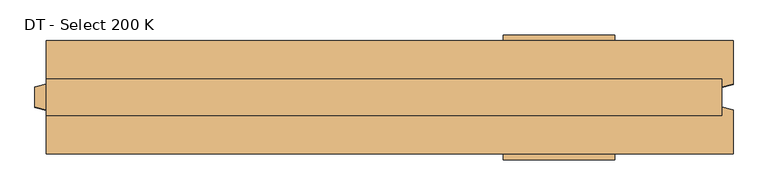
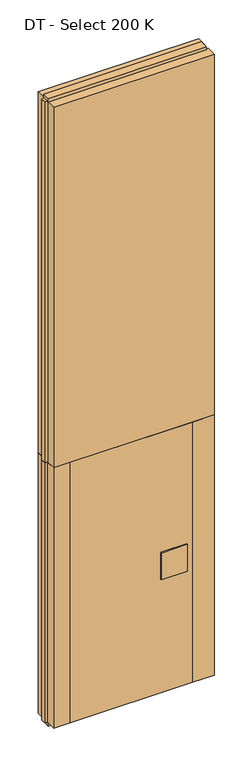
"""IFC4 building model written with IfcOpenShell, lengths in millimetres: door geometry, DT - Select 200 K."""

from ifc_helpers import new_model, si_unit, frame, origin, origin_with_axes, place, context, project, spatial, polyline, outline, extrude, source, transform, mapped, element, save


def dt_select_200_k_bcd1da48(model_context):
    return source(origin(), model_context, "Body", "SweptSolid", [
        extrude(outline(polyline([(-460.0, -100.0), (-460.0, 100.0), (460.0, 100.0), (460.0, -100.0), (-460.0, -100.0)])), frame((0.0, 0.0, 25.0), z_axis=(0.0, 0.0, 1.0), x_axis=(1.0, 0.0, 0.0)), (0.0, 0.0, 1.0), 2075.0),
        extrude(outline(polyline([(219.7719698, -110.0), (219.7719698, -100.0), (416.7719698, -100.0), (416.7719698, -110.0), (219.7719698, -110.0)])), frame((0.0, 0.0, 934.0), z_axis=(0.0, 0.0, 1.0), x_axis=(1.0, 0.0, 0.0)), (0.0, 0.0, 1.0), 212.0),
        extrude(outline(polyline([(219.7719698, 100.0), (219.7719698, 110.0), (416.7719698, 110.0), (416.7719698, 100.0), (219.7719698, 100.0)])), frame((0.0, 0.0, 934.0), z_axis=(0.0, 0.0, 1.0), x_axis=(1.0, 0.0, 0.0)), (0.0, 0.0, 1.0), 212.0),
        extrude(outline(polyline([(605.0, 32.0), (605.0, -32.0), (-585.0, -32.0), (-585.0, 32.0), (605.0, 32.0)])), origin_with_axes(), (0.0, 0.0, 1.0), 25.0),
        extrude(outline(polyline([(605.0, 32.0), (605.0, -32.0), (-585.0, -32.0), (-585.0, 32.0), (605.0, 32.0)])), frame((0.0, 0.0, 4975.0), z_axis=(0.0, 0.0, 1.0), x_axis=(1.0, 0.0, 0.0)), (0.0, 0.0, 1.0), 25.0),
        extrude(outline(polyline([(625.0, -100.0), (460.0, -100.0), (460.0, 100.0), (625.0, 100.0), (625.0, 23.0), (605.0, 17.6410162), (605.0, -17.6410162), (625.0, -23.0), (625.0, -100.0)])), frame((0.0, 0.0, 25.0), z_axis=(0.0, 0.0, 1.0), x_axis=(1.0, 0.0, 0.0)), (0.0, 0.0, 1.0), 2075.0),
        extrude(outline(polyline([(-585.0, -100.0), (-585.0, -23.0), (-605.0, -17.6410162), (-605.0, 17.6410162), (-585.0, 23.0), (-585.0, 100.0), (-460.0, 100.0), (-460.0, -100.0), (-585.0, -100.0)])), frame((0.0, 0.0, 25.0), z_axis=(0.0, 0.0, 1.0), x_axis=(1.0, 0.0, 0.0)), (0.0, 0.0, 1.0), 2075.0),
        extrude(outline(polyline([(625.0, 100.0), (625.0, 23.0), (605.0, 17.6410162), (605.0, -17.6410162), (625.0, -23.0), (625.0, -100.0), (-585.0, -100.0), (-585.0, -23.0), (-605.0, -17.6410162), (-605.0, 17.6410162), (-585.0, 23.0), (-585.0, 100.0), (625.0, 100.0)])), frame((0.0, 0.0, 2100.0), z_axis=(0.0, 0.0, 1.0), x_axis=(1.0, 0.0, 0.0)), (0.0, 0.0, 1.0), 2875.0),
    ])


if __name__ == "__main__":
    model = new_model("IFC4")
    model_context = context("Model", 3, world=origin())
    ifc_project = project(units=[si_unit("LENGTHUNIT", "METRE", prefix="MILLI")], contexts=[model_context])
    site = spatial("IfcSite", under=ifc_project)
    building = spatial("IfcBuilding", under=site)
    placement = place(None, origin())
    dt_select_200_k_shape = dt_select_200_k_bcd1da48(model_context)
    element("IfcDoor", 1, ObjectType="DT - Select 200 K", at=placement, inside=building, context=model_context, shape_type="MappedRepresentation", body=[
        mapped(dt_select_200_k_shape, transform((0.0, 0.0, 0.0), x_axis=(1.0, 0.0, 0.0), y_axis=(0.0, 1.0, 0.0), z_axis=(0.0, 0.0, 1.0))),
    ])
    save(model, "model.ifc")
